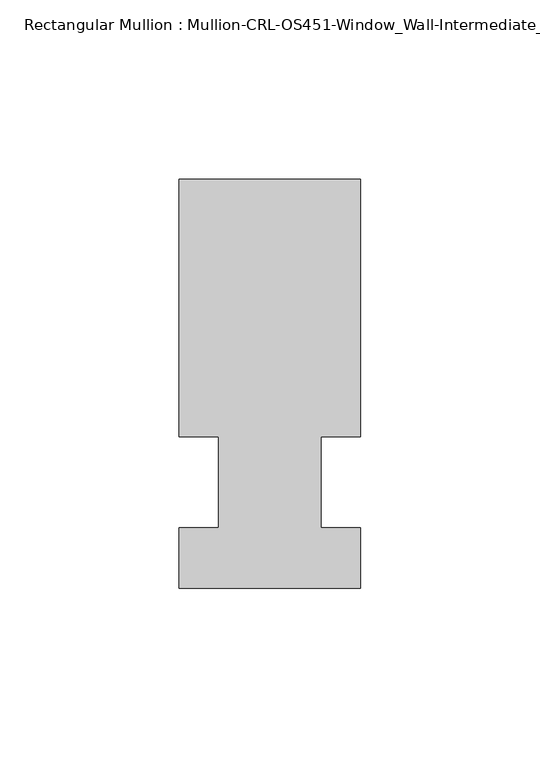
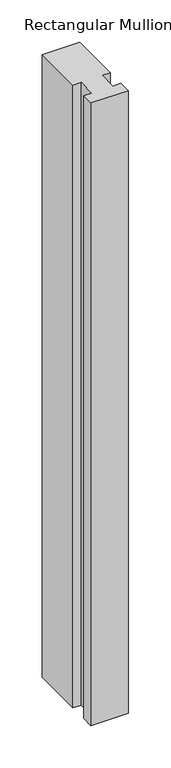
"""IFC4 building model written with IfcOpenShell, lengths in millimetres: member geometry, Rectangular Mullion : Mullion-CRL-OS451-Window_Wall-Intermediate_Vertical."""

from ifc_helpers import new_model, si_unit, frame, origin, place, context, project, spatial, polyline, outline, extrude, source, transform, mapped, element, save


def rectangular_mullion_mullion_crl_os451_window_wall_58fa943a(model_context):
    return source(origin(), model_context, "Body", "SweptSolid", [
        extrude(outline(polyline([(-25.4, 12.7), (-25.4, 84.6587463), (25.4, 84.6587463), (25.4, 12.7), (14.3002899, 12.7), (14.3002899, -12.7), (25.4, -12.7), (25.4, -29.6531114), (-25.4, -29.6531114), (-25.4, -12.7), (-14.2786274, -12.7), (-14.2786274, 12.7), (-25.4, 12.7)])), frame((0.0, 0.0, -896.6199516), z_axis=(0.0, 0.0, 1.0), x_axis=(1.0, 0.0, 0.0)), (0.0, 0.0, 1.0), 896.6199516),
    ])


if __name__ == "__main__":
    model = new_model("IFC4")
    model_context = context("Model", 3, world=origin())
    ifc_project = project(units=[si_unit("LENGTHUNIT", "METRE", prefix="MILLI")], contexts=[model_context])
    site = spatial("IfcSite", under=ifc_project)
    building = spatial("IfcBuilding", under=site)
    placement = place(None, origin())
    rectangular_mullion_mullion_crl_os451_window_wall_shape = rectangular_mullion_mullion_crl_os451_window_wall_58fa943a(model_context)
    element("IfcMember", 1, ObjectType="Rectangular Mullion : Mullion-CRL-OS451-Window_Wall-Intermediate_Vertical", at=placement, inside=building, context=model_context, shape_type="MappedRepresentation", body=[
        mapped(rectangular_mullion_mullion_crl_os451_window_wall_shape, transform((0.0, 0.0, 0.0), x_axis=(1.0, 0.0, 0.0), y_axis=(0.0, 1.0, 0.0), z_axis=(0.0, 0.0, 1.0))),
    ])
    save(model, "model.ifc")
